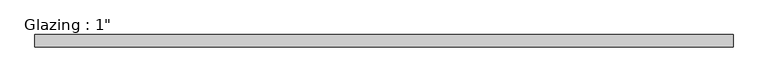
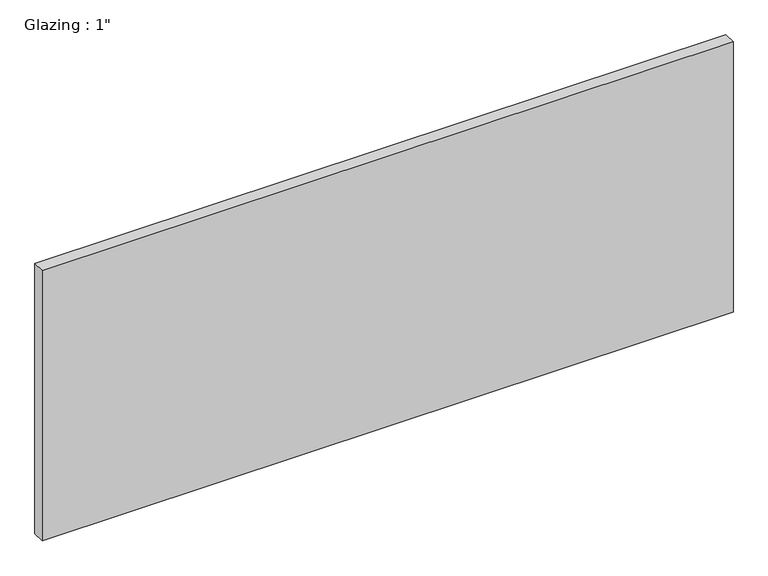
"""IFC4 building model written with IfcOpenShell, lengths in millimetres: plate geometry."""

from ifc_helpers import new_model, si_unit, origin, origin_with_axes, place, context, project, spatial, polyline, outline, extrude, source, transform, mapped, element, save


def plate_759907be(model_context):
    return source(origin(), model_context, "Body", "SweptSolid", [
        extrude(outline(polyline([(713.8074708, -12.7), (-713.8074708, -12.7), (-713.8074708, 12.7), (713.8074708, 12.7), (713.8074708, -12.7)])), origin_with_axes(), (0.0, 0.0, 1.0), 590.5497736),
    ])


if __name__ == "__main__":
    model = new_model("IFC4")
    model_context = context("Model", 3, world=origin())
    ifc_project = project(units=[si_unit("LENGTHUNIT", "METRE", prefix="MILLI")], contexts=[model_context])
    site = spatial("IfcSite", under=ifc_project)
    building = spatial("IfcBuilding", under=site)
    placement = place(None, origin())
    plate_shape = plate_759907be(model_context)
    element("IfcPlate", 1, ObjectType="Glazing : 1\"", at=placement, inside=building, context=model_context, shape_type="MappedRepresentation", body=[
        mapped(plate_shape, transform((0.0, 0.0, 0.0), x_axis=(1.0, 0.0, 0.0), y_axis=(0.0, 1.0, 0.0), z_axis=(0.0, 0.0, 1.0))),
    ])
    save(model, "model.ifc")
